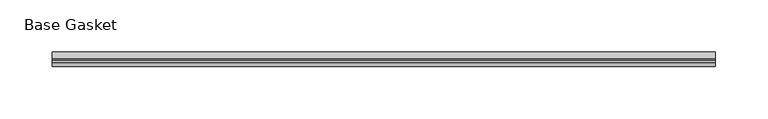
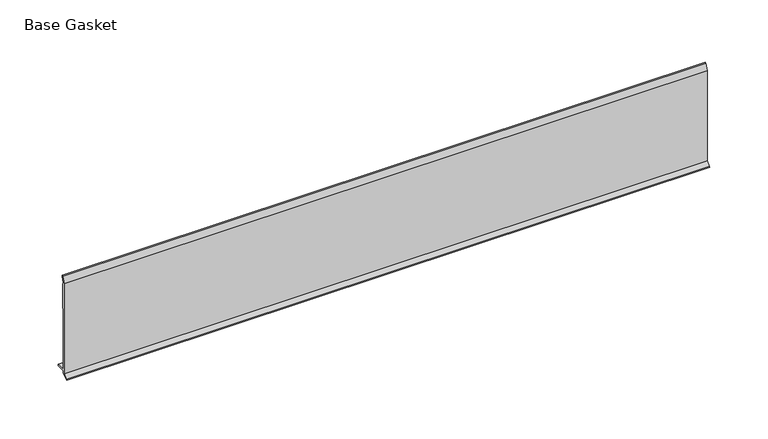
"""IFC4 building model written with IfcOpenShell, lengths in millimetres: furniture geometry, Base Gasket."""

from ifc_helpers import new_model, si_unit, frame, origin, place, context, project, spatial, polyline, outline, extrude, source, transform, mapped, element, save


def base_gasket_7734e66f(model_context):
    return source(origin(), model_context, "Body", "SweptSolid", [
        extrude(outline(polyline([(-3.7283812, 98.4568417), (-1.1891543, 104.587663), (-0.6755308, 105.2002997), (-0.6755308, 104.4162708), (-2.2043812, 98.4568417), (-2.2043812, 96.8693477), (-1.4106313, 96.8693477), (-1.4106313, 71.4693447), (-2.2043812, 71.4693447), (-2.2043812, 7.9398773), (6.2405171, 7.9398773), (6.2405171, 6.3818476), (-2.1334222, 6.3818476), (-2.2043812, 4.3498477), (-6.8281054, 0.3520979), (-7.8482342, 0.0), (-7.4222115, 0.6560174), (-3.7283812, 4.3498477), (-3.7283812, 98.4568417)])), frame((-1527.8982117, 0.0, 0.0), z_axis=(1.0, 0.0, 0.0), x_axis=(0.0, 1.0, 0.0)), (0.0, 0.0, 1.0), 635.0),
    ])


if __name__ == "__main__":
    model = new_model("IFC4")
    model_context = context("Model", 3, world=origin())
    ifc_project = project(units=[si_unit("LENGTHUNIT", "METRE", prefix="MILLI")], contexts=[model_context])
    site = spatial("IfcSite", under=ifc_project)
    building = spatial("IfcBuilding", under=site)
    placement = place(None, origin())
    base_gasket_shape = base_gasket_7734e66f(model_context)
    element("IfcFurniture", 1, ObjectType="Base Gasket", at=placement, inside=building, context=model_context, shape_type="MappedRepresentation", body=[
        mapped(base_gasket_shape, transform((0.0, 0.0, 0.0), x_axis=(1.0, 0.0, 0.0), y_axis=(0.0, 1.0, 0.0), z_axis=(0.0, 0.0, 1.0))),
    ])
    save(model, "model.ifc")
